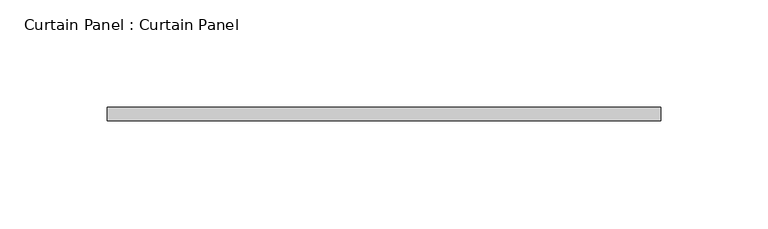
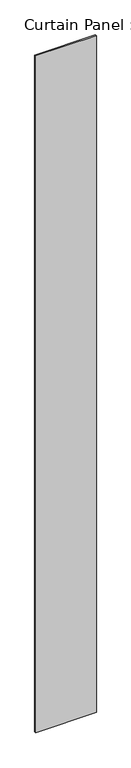
"""IFC4 building model written with IfcOpenShell, lengths in millimetres: plate geometry, Curtain Panel : Curtain Panel."""

from ifc_helpers import new_model, si_unit, origin, origin_with_axes, place, context, project, spatial, polyline, outline, extrude, source, transform, mapped, element, save


def curtain_panel_curtain_panel_82da9328(model_context):
    return source(origin(), model_context, "Body", "SweptSolid", [
        extrude(outline(polyline([(-149455.9119606, 8058.8439703), (-149714.6744606, 8058.8439703), (-149714.6744606, 8065.1939703), (-149455.9119606, 8065.1939703), (-149455.9119606, 8058.8439703)])), origin_with_axes(), (0.0, 0.0, 1.0), 3048.0),
    ])


if __name__ == "__main__":
    model = new_model("IFC4")
    model_context = context("Model", 3, world=origin())
    ifc_project = project(units=[si_unit("LENGTHUNIT", "METRE", prefix="MILLI")], contexts=[model_context])
    site = spatial("IfcSite", under=ifc_project)
    building = spatial("IfcBuilding", under=site)
    placement = place(None, origin())
    curtain_panel_curtain_panel_shape = curtain_panel_curtain_panel_82da9328(model_context)
    element("IfcPlate", 1, ObjectType="Curtain Panel : Curtain Panel", at=placement, inside=building, context=model_context, shape_type="MappedRepresentation", body=[
        mapped(curtain_panel_curtain_panel_shape, transform((0.0, 0.0, 0.0), x_axis=(1.0, 0.0, 0.0), y_axis=(0.0, 1.0, 0.0), z_axis=(0.0, 0.0, 1.0))),
    ])
    save(model, "model.ifc")
